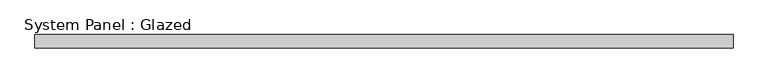
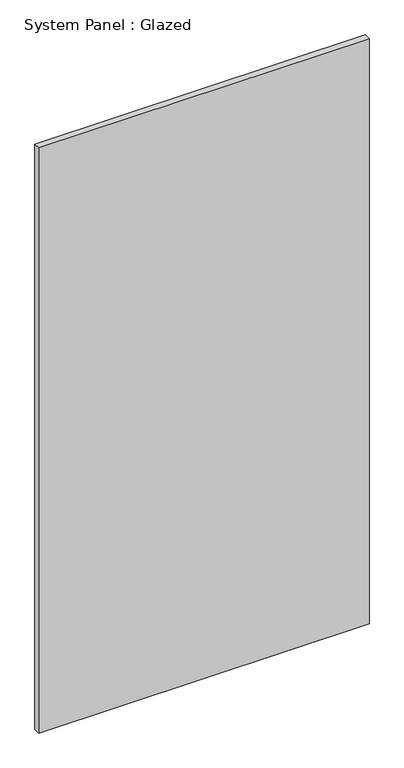
"""IFC4 building model written with IfcOpenShell, lengths in millimetres: plate geometry, System Panel : Glazed."""

from ifc_helpers import new_model, si_unit, origin, origin_with_axes, place, context, project, spatial, polyline, outline, extrude, source, transform, mapped, element, save


def system_panel_glazed_362d9ca2(model_context):
    return source(origin(), model_context, "Body", "SweptSolid", [
        extrude(outline(polyline([(1041.6666667, -20.0), (-1041.6666667, -20.0), (-1041.6666667, 20.0), (1041.6666667, 20.0), (1041.6666667, -20.0)])), origin_with_axes(), (0.0, 0.0, 1.0), 3900.0),
    ])


if __name__ == "__main__":
    model = new_model("IFC4")
    model_context = context("Model", 3, world=origin())
    ifc_project = project(units=[si_unit("LENGTHUNIT", "METRE", prefix="MILLI")], contexts=[model_context])
    site = spatial("IfcSite", under=ifc_project)
    building = spatial("IfcBuilding", under=site)
    placement = place(None, origin())
    system_panel_glazed_shape = system_panel_glazed_362d9ca2(model_context)
    element("IfcPlate", 1, ObjectType="System Panel : Glazed", at=placement, inside=building, context=model_context, shape_type="MappedRepresentation", body=[
        mapped(system_panel_glazed_shape, transform((0.0, 0.0, 0.0), x_axis=(1.0, 0.0, 0.0), y_axis=(0.0, 1.0, 0.0), z_axis=(0.0, 0.0, 1.0))),
    ])
    save(model, "model.ifc")
